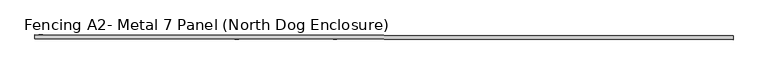
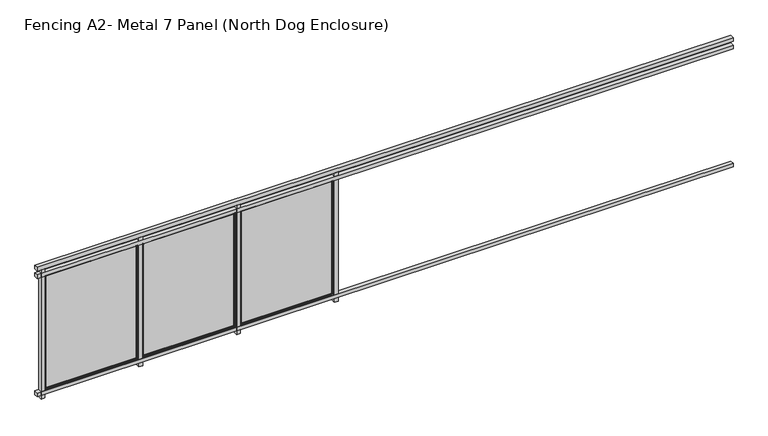
"""IFC4 building model written with IfcOpenShell, lengths in millimetres: railing geometry, Fencing A2- Metal 7 Panel (North Dog Enclosure)."""

from ifc_helpers import new_model, si_unit, frame, origin, place, context, project, spatial, polyline, ellipse_curve, outline, extrude, source, transform, mapped, element, save
from ifc_brep_helpers import plane_surface, cylinder_surface, advanced_brep


def fencing_a2_metal_7_panel_north_dog_enclosure_b5cfe8d8(model_context):
    return source(origin(), model_context, "Body", "SolidModel", [
        extrude(outline(polyline([(28440.7910864, 2306.40272), (28440.7307853, 2255.6027558), (19398.3371559, 2266.3363493), (19398.397457, 2317.1363135), (28440.7910864, 2306.40272)])), frame((0.0, 0.0, 1016.0), z_axis=(0.0, 0.0, 1.0), x_axis=(1.0, 0.0, 0.0)), (0.0, 0.0, 1.0), 50.8),
        extrude(outline(polyline([(28440.7910864, 2306.40272), (28440.7307853, 2255.6027558), (19398.3371559, 2266.3363493), (19398.397457, 2317.1363135), (28440.7910864, 2306.40272)])), frame((0.0, 0.0, 914.4), z_axis=(0.0, 0.0, 1.0), x_axis=(1.0, 0.0, 0.0)), (0.0, 0.0, 1.0), 50.8),
        extrude(outline(polyline([(28440.7910864, 2306.40272), (28440.7307853, 2255.6027558), (19398.3371559, 2266.3363493), (19398.397457, 2317.1363135), (28440.7910864, 2306.40272)])), frame((0.0, 0.0, -711.2), z_axis=(0.0, 0.0, 1.0), x_axis=(1.0, 0.0, 0.0)), (0.0, 0.0, 1.0), 50.8),
        extrude(outline(polyline([(19499.9973854, 2317.0157113), (19499.9370843, 2266.2157471), (19449.1371201, 2266.2760482), (19449.1974212, 2317.0760124), (19499.9973854, 2317.0157113)])), frame((0.0, 0.0, -762.0), z_axis=(0.0, 0.0, 1.0), x_axis=(1.0, 0.0, 0.0)), (0.0, 0.0, 1.0), 1778.0),
        advanced_brep(
        [(20712.8371089, 2307.6385285, 908.05), (20716.0158754, 2310.8097574, 911.225), (20716.0158754, 2310.8097574, -657.225), (20712.8371089, 2307.6385285, -654.05), (19503.1667299, 2312.2494459, -657.225), (19506.3379589, 2309.0706793, -654.05), (19499.9917322, 2312.2532147, -660.4), (19499.9917322, 2312.2532147, 914.4), (20719.1908732, 2310.8059886, 914.4), (20719.1908732, 2310.8059886, -660.4), (19503.1667299, 2312.2494459, 911.225), (19506.3379589, 2309.0706793, 908.05), (20712.8258024, 2298.1135352, -654.05), (19506.3266524, 2299.545686, -654.05), (20712.8258024, 2298.1135352, 908.05), (19506.3266524, 2299.545686, 908.05), (20703.3008091, 2298.1248416, -644.525), (20703.3008091, 2298.1248416, 898.525), (19515.8516457, 2299.5343795, 898.525), (19515.8516457, 2299.5343795, -644.525), (20700.1220425, 2294.9536127, 895.35), (20700.1220425, 2294.9536127, -641.35), (19519.0228746, 2296.355613, -641.35), (19519.0228746, 2296.355613, 895.35), (20700.1182737, 2291.7786149, -641.35), (19519.0191058, 2293.1806152, -641.35), (20700.1182737, 2291.7786149, 895.35), (19519.0191058, 2293.1806152, 895.35), (20719.1682603, 2291.756002, -660.4), (20719.1682603, 2291.756002, 914.4), (19499.9691192, 2293.2032281, 914.4), (19499.9691192, 2293.2032281, -660.4)],
        [
            (0, 1, ellipse_curve(frame((20716.0121066, 2307.6347596, 911.225), z_axis=(0.7071062830160321, -0.0008393564505195757, -0.7071067811865475), x_axis=(0.707106283016032, -0.0008393564505195756, 0.7071067811865476)), 4.4901281, 3.175)),
            (1, 2),
            (2, 3, ellipse_curve(frame((20716.0121066, 2307.6347596, -657.225), z_axis=(0.7071062830160321, -0.0008393564505195757, 0.7071067811865475), x_axis=(-0.707106283016032, 0.0008393564505195756, 0.7071067811865476)), 4.4901281, 3.175)),
            (3, 0),
            (2, 4),
            (4, 5, ellipse_curve(frame((19503.1629611, 2309.0744481, -657.225), z_axis=(0.7071062830160321, -0.0008393564505195757, -0.7071067811865475), x_axis=(0.7071062830160322, -0.0008393564505195758, 0.7071067811865474)), 4.4901281, 3.175)),
            (5, 3),
            (6, 7),
            (7, 8),
            (8, 9),
            (9, 6),
            (1, 10),
            (10, 4),
            (10, 11, ellipse_curve(frame((19503.1629611, 2309.0744481, 911.225), z_axis=(-0.7071062830160321, 0.0008393564505195757, -0.7071067811865475), x_axis=(0.707106283016032, -0.0008393564505195756, -0.7071067811865476)), 4.4901281, 3.175)),
            (11, 5),
            (12, 3),
            (5, 13),
            (13, 12),
            (14, 0),
            (12, 14),
            (11, 15),
            (15, 13),
            (15, 14),
            (16, 17),
            (17, 18),
            (18, 19),
            (19, 16),
            (20, 17, ellipse_curve(frame((20703.2970403, 2294.9498439, 898.525), z_axis=(0.7071062830160321, -0.0008393564505195757, -0.7071067811865475), x_axis=(0.707106283016032, -0.0008393564505195756, 0.7071067811865476)), 4.4901281, 3.175)),
            (16, 21, ellipse_curve(frame((20703.2970403, 2294.9498439, -644.525), z_axis=(0.7071062830160321, -0.0008393564505195757, 0.7071067811865475), x_axis=(-0.707106283016032, 0.0008393564505195756, 0.7071067811865476)), 4.4901281, 3.175)),
            (21, 20),
            (19, 22, ellipse_curve(frame((19515.8478769, 2296.3593818, -644.525), z_axis=(0.7071062830160321, -0.0008393564505195757, -0.7071067811865475), x_axis=(0.7071062830160322, -0.0008393564505195758, 0.7071067811865474)), 4.4901281, 3.175)),
            (22, 21),
            (18, 23, ellipse_curve(frame((19515.8478769, 2296.3593818, 898.525), z_axis=(-0.7071062830160321, 0.0008393564505195757, -0.7071067811865475), x_axis=(0.707106283016032, -0.0008393564505195756, -0.7071067811865476)), 4.4901281, 3.175)),
            (23, 22),
            (24, 21),
            (22, 25),
            (25, 24),
            (26, 20),
            (24, 26),
            (23, 27),
            (27, 25),
            (28, 29),
            (29, 30),
            (30, 31),
            (31, 28),
            (27, 26),
            (8, 29),
            (28, 9),
            (31, 6),
            (30, 7),
            (0, 11),
            (20, 23),
        ],
        [
            cylinder_surface(frame((20716.0121066, 2307.6347596, 914.4), z_axis=(0.0, 0.0, 1.0), x_axis=(0.9999992954805008, -0.0011870292759906809, 0.0)), 3.175),
            cylinder_surface(frame((20719.1871044, 2307.6309908, -657.225), z_axis=(0.9999992954805008, -0.0011870292759901258, 0.0), x_axis=(0.0, 0.0, -1.0)), 3.175),
            plane_surface(frame((20719.1908732, 2310.8059886, 914.4), z_axis=(0.0011870292759906809, 0.9999992954805008, 0.0), x_axis=(0.0, 0.0, -1.0))),
            cylinder_surface(frame((19503.1629611, 2309.0744481, -660.4), z_axis=(0.0, 0.0, -1.0), x_axis=(-0.9999992954805008, 0.0011870292759895706, 0.0)), 3.175),
            plane_surface(frame((20712.8371089, 2307.6385285, -654.05), z_axis=(0.0, 0.0, 1.0), x_axis=(-0.9999992954805008, 0.0011870292759901305, 0.0))),
            plane_surface(frame((20712.8371089, 2307.6385285, 908.05), z_axis=(-0.9999992954805008, 0.0011870292759906809, 0.0), x_axis=(0.0, 0.0, -1.0))),
            plane_surface(frame((19506.3379589, 2309.0706793, -654.05), z_axis=(0.9999992954805008, -0.0011870292759895706, 0.0), x_axis=(0.0, 0.0, 1.0))),
            plane_surface(frame((20712.8258024, 2298.1135352, 908.05), z_axis=(0.0011870292759906809, 0.9999992954805008, 0.0), x_axis=(0.0, 0.0, -1.0))),
            cylinder_surface(frame((20703.2970403, 2294.9498439, 914.4), z_axis=(0.0, 0.0, 1.0), x_axis=(0.9999992954805008, -0.0011870292759906809, 0.0)), 3.175),
            cylinder_surface(frame((20719.1720291, 2294.9309998, -644.525), z_axis=(0.9999992954805008, -0.0011870292759901258, 0.0), x_axis=(0.0, 0.0, -1.0)), 3.175),
            cylinder_surface(frame((19515.8478769, 2296.3593818, -660.4), z_axis=(0.0, 0.0, -1.0), x_axis=(-0.9999992954805008, 0.0011870292759895706, 0.0)), 3.175),
            plane_surface(frame((20700.1220425, 2294.9536127, -641.35), z_axis=(0.0, 0.0, 1.0), x_axis=(-0.9999992954805008, 0.001187029275990133, 0.0))),
            plane_surface(frame((20700.1220425, 2294.9536127, 895.35), z_axis=(-0.9999992954805008, 0.0011870292759906809, 0.0), x_axis=(0.0, 0.0, -1.0))),
            plane_surface(frame((19519.0228746, 2296.355613, -641.35), z_axis=(0.9999992954805008, -0.0011870292759895706, 0.0), x_axis=(0.0, 0.0, 1.0))),
            plane_surface(frame((20700.1182737, 2291.7786149, 895.35), z_axis=(-0.0011870292759906809, -0.9999992954805008, 0.0), x_axis=(0.0, 0.0, -1.0))),
            plane_surface(frame((20719.1682603, 2291.756002, 914.4), z_axis=(0.9999992954805008, -0.0011870292759906809, 0.0), x_axis=(0.0, 0.0, -1.0))),
            plane_surface(frame((20719.1682603, 2291.756002, -660.4), z_axis=(0.0, 0.0, -1.0), x_axis=(-0.9999992954805008, 0.0011870292759901258, 0.0))),
            plane_surface(frame((19499.9691192, 2293.2032281, -660.4), z_axis=(-0.9999992954805008, 0.0011870292759895706, 0.0), x_axis=(0.0, 0.0, 1.0))),
            cylinder_surface(frame((19499.9879633, 2309.0782169, 911.225), z_axis=(-0.9999992954805008, 0.0011870292759901258, 0.0), x_axis=(0.0, 0.0, 1.0)), 3.175),
            plane_surface(frame((19506.3379589, 2309.0706793, 908.05), z_axis=(0.0, 0.0, -1.0), x_axis=(0.9999992954805008, -0.0011870292759901268, 0.0))),
            cylinder_surface(frame((19499.9728881, 2296.3782259, 898.525), z_axis=(-0.9999992954805008, 0.0011870292759901258, 0.0), x_axis=(0.0, 0.0, 1.0)), 3.175),
            plane_surface(frame((19519.0228746, 2296.355613, 895.35), z_axis=(0.0, 0.0, -1.0), x_axis=(0.9999992954805008, -0.001187029275990133, 0.0))),
            plane_surface(frame((19499.9691192, 2293.2032281, 914.4), z_axis=(0.0, 0.0, 1.0), x_axis=(0.9999992954805008, -0.0011870292759901258, 0.0))),
        ],
        [
            (0, [[1, 2, 3, 4]]),
            (1, [[-3, 5, 6, 7]]),
            (2, [[8, 9, 10, 11], [-2, 12, 13, -5]]),
            (3, [[-6, -13, 14, 15]]),
            (4, [[16, -7, 17, 18]]),
            (5, [[19, -4, -16, 20]]),
            (6, [[-17, -15, 21, 22]]),
            (7, [[-22, 23, -20, -18], [24, 25, 26, 27]]),
            (8, [[28, -24, 29, 30]]),
            (9, [[-29, -27, 31, 32]]),
            (10, [[-31, -26, 33, 34]]),
            (11, [[35, -32, 36, 37]]),
            (12, [[38, -30, -35, 39]]),
            (13, [[-36, -34, 40, 41]]),
            (14, [[42, 43, 44, 45], [-41, 46, -39, -37]]),
            (15, [[47, -42, 48, -10]]),
            (16, [[-48, -45, 49, -11]]),
            (17, [[-49, -44, 50, -8]]),
            (18, [[-14, -12, -1, 51]]),
            (19, [[-21, -51, -19, -23]]),
            (20, [[-33, -25, -28, 52]]),
            (21, [[-40, -52, -38, -46]]),
            (22, [[-50, -43, -47, -9]]),
        ],
    ),
        advanced_brep(
        [(20719.1644915, 2288.5810042, 914.4), (20719.1418786, 2269.5310177, 914.4), (20719.1418786, 2269.5310177, -660.4), (20719.1644915, 2288.5810042, -660.4), (19499.9427375, 2270.9782438, -660.4), (19499.9653504, 2290.0282303, -660.4), (19499.9427375, 2270.9782438, 914.4), (19503.1177353, 2270.9744749, -657.225), (19503.1177353, 2270.9744749, 911.225), (20715.9668808, 2269.5347865, 911.225), (20715.9668808, 2269.5347865, -657.225), (19499.9653504, 2290.0282303, 914.4), (20700.1145049, 2288.6036172, -641.35), (20700.1145049, 2288.6036172, 895.35), (19519.015337, 2290.0056174, 895.35), (19519.015337, 2290.0056174, -641.35), (20700.1107361, 2285.4286194, 895.35), (20700.1107361, 2285.4286194, -641.35), (19519.0115682, 2286.8306197, -641.35), (19519.0115682, 2286.8306197, 895.35), (20703.281965, 2282.2498528, -644.525), (19515.8328016, 2283.6593907, -644.525), (20703.281965, 2282.2498528, 898.525), (19515.8328016, 2283.6593907, 898.525), (20712.8069583, 2282.2385464, -654.05), (20712.8069583, 2282.2385464, 908.05), (19506.3078083, 2283.6706972, 908.05), (19506.3078083, 2283.6706972, -654.05), (20712.7956519, 2272.7135531, 908.05), (20712.7956519, 2272.7135531, -654.05), (19506.2965019, 2274.1457039, -654.05), (19506.2965019, 2274.1457039, 908.05)],
        [
            (0, 1),
            (1, 2),
            (2, 3),
            (3, 0),
            (2, 4),
            (4, 5),
            (5, 3),
            (1, 6),
            (6, 4),
            (7, 8),
            (8, 9),
            (9, 10),
            (10, 7),
            (6, 11),
            (11, 5),
            (11, 0),
            (12, 13),
            (13, 14),
            (14, 15),
            (15, 12),
            (16, 13),
            (12, 17),
            (17, 16),
            (15, 18),
            (18, 17),
            (14, 19),
            (19, 18),
            (20, 17, ellipse_curve(frame((20703.2857338, 2285.4248506, -644.525), z_axis=(-0.7071062830160321, 0.0008393564505195757, -0.7071067811865475), x_axis=(0.7071062830160322, -0.0008393564505195758, -0.7071067811865474)), 4.4901281, 3.175)),
            (18, 21, ellipse_curve(frame((19515.8365704, 2286.8343885, -644.525), z_axis=(0.7071062830160321, -0.0008393564505195757, -0.7071067811865475), x_axis=(0.7071062830160322, -0.0008393564505195758, 0.7071067811865474)), 4.4901281, 3.175)),
            (21, 20),
            (22, 16, ellipse_curve(frame((20703.2857338, 2285.4248506, 898.525), z_axis=(0.7071062830160321, -0.0008393564505195757, -0.7071067811865475), x_axis=(0.707106283016032, -0.0008393564505195756, 0.7071067811865476)), 4.4901281, 3.175)),
            (20, 22),
            (19, 23, ellipse_curve(frame((19515.8365704, 2286.8343885, 898.525), z_axis=(-0.7071062830160321, 0.0008393564505195757, -0.7071067811865475), x_axis=(0.707106283016032, -0.0008393564505195756, -0.7071067811865476)), 4.4901281, 3.175)),
            (23, 21),
            (24, 25),
            (25, 26),
            (26, 27),
            (27, 24),
            (23, 22),
            (28, 25),
            (24, 29),
            (29, 28),
            (27, 30),
            (30, 29),
            (26, 31),
            (31, 30),
            (10, 29, ellipse_curve(frame((20715.9706496, 2272.7097842, -657.225), z_axis=(-0.7071062830160321, 0.0008393564505195757, -0.7071067811865475), x_axis=(0.7071062830160322, -0.0008393564505195758, -0.7071067811865474)), 4.4901281, 3.175)),
            (30, 7, ellipse_curve(frame((19503.1215041, 2274.1494727, -657.225), z_axis=(0.7071062830160321, -0.0008393564505195757, -0.7071067811865475), x_axis=(0.7071062830160322, -0.0008393564505195758, 0.7071067811865474)), 4.4901281, 3.175)),
            (9, 28, ellipse_curve(frame((20715.9706496, 2272.7097842, 911.225), z_axis=(0.7071062830160321, -0.0008393564505195757, -0.7071067811865475), x_axis=(0.707106283016032, -0.0008393564505195756, 0.7071067811865476)), 4.4901281, 3.175)),
            (31, 8, ellipse_curve(frame((19503.1215041, 2274.1494727, 911.225), z_axis=(-0.7071062830160321, 0.0008393564505195757, -0.7071067811865475), x_axis=(0.707106283016032, -0.0008393564505195756, -0.7071067811865476)), 4.4901281, 3.175)),
            (16, 19),
            (28, 31),
        ],
        [
            plane_surface(frame((20719.1418786, 2269.5310177, 914.4), z_axis=(0.9999992954805008, -0.0011870292759906809, 0.0), x_axis=(0.0, 0.0, -1.0))),
            plane_surface(frame((20719.1418786, 2269.5310177, -660.4), z_axis=(0.0, 0.0, -1.0), x_axis=(-0.9999992954805008, 0.0011870292759901258, 0.0))),
            plane_surface(frame((20715.9668808, 2269.5347865, 911.225), z_axis=(-0.0011870292759906809, -0.9999992954805008, 0.0), x_axis=(0.0, 0.0, -1.0))),
            plane_surface(frame((19499.9427375, 2270.9782438, -660.4), z_axis=(-0.9999992954805008, 0.0011870292759895706, 0.0), x_axis=(0.0, 0.0, 1.0))),
            plane_surface(frame((20719.1644915, 2288.5810042, 914.4), z_axis=(0.0011870292759906809, 0.9999992954805008, 0.0), x_axis=(0.0, 0.0, -1.0))),
            plane_surface(frame((20700.1145049, 2288.6036172, 895.35), z_axis=(-0.9999992954805008, 0.0011870292759906809, 0.0), x_axis=(0.0, 0.0, -1.0))),
            plane_surface(frame((20700.1145049, 2288.6036172, -641.35), z_axis=(0.0, 0.0, 1.0), x_axis=(-0.9999992954805008, 0.001187029275990133, 0.0))),
            plane_surface(frame((19519.015337, 2290.0056174, -641.35), z_axis=(0.9999992954805008, -0.0011870292759895706, 0.0), x_axis=(0.0, 0.0, 1.0))),
            cylinder_surface(frame((20719.1607227, 2285.4060065, -644.525), z_axis=(0.9999992954805008, -0.0011870292759901258, 0.0), x_axis=(0.0, 0.0, -1.0)), 3.175),
            cylinder_surface(frame((20703.2857338, 2285.4248506, 914.4), z_axis=(0.0, 0.0, 1.0), x_axis=(0.9999992954805008, -0.0011870292759906809, 0.0)), 3.175),
            cylinder_surface(frame((19515.8365704, 2286.8343885, -660.4), z_axis=(0.0, 0.0, -1.0), x_axis=(-0.9999992954805008, 0.0011870292759895706, 0.0)), 3.175),
            plane_surface(frame((20703.281965, 2282.2498528, 898.525), z_axis=(-0.0011870292759906809, -0.9999992954805008, 0.0), x_axis=(0.0, 0.0, -1.0))),
            plane_surface(frame((20712.8069583, 2282.2385464, 908.05), z_axis=(-0.9999992954805008, 0.0011870292759906809, 0.0), x_axis=(0.0, 0.0, -1.0))),
            plane_surface(frame((20712.8069583, 2282.2385464, -654.05), z_axis=(0.0, 0.0, 1.0), x_axis=(-0.9999992954805008, 0.0011870292759901268, 0.0))),
            plane_surface(frame((19506.3078083, 2283.6706972, -654.05), z_axis=(0.9999992954805008, -0.0011870292759895706, 0.0), x_axis=(0.0, 0.0, 1.0))),
            cylinder_surface(frame((20719.1456474, 2272.7060154, -657.225), z_axis=(0.9999992954805008, -0.0011870292759901258, 0.0), x_axis=(0.0, 0.0, -1.0)), 3.175),
            cylinder_surface(frame((20715.9706496, 2272.7097842, 914.4), z_axis=(0.0, 0.0, 1.0), x_axis=(0.9999992954805008, -0.0011870292759906809, 0.0)), 3.175),
            cylinder_surface(frame((19503.1215041, 2274.1494727, -660.4), z_axis=(0.0, 0.0, -1.0), x_axis=(-0.9999992954805008, 0.0011870292759895706, 0.0)), 3.175),
            plane_surface(frame((19499.9427375, 2270.9782438, 914.4), z_axis=(0.0, 0.0, 1.0), x_axis=(0.9999992954805008, -0.0011870292759901258, 0.0))),
            plane_surface(frame((19519.015337, 2290.0056174, 895.35), z_axis=(0.0, 0.0, -1.0), x_axis=(0.9999992954805008, -0.001187029275990133, 0.0))),
            cylinder_surface(frame((19499.9615816, 2286.8532326, 898.525), z_axis=(-0.9999992954805008, 0.0011870292759901258, 0.0), x_axis=(0.0, 0.0, 1.0)), 3.175),
            plane_surface(frame((19506.3078083, 2283.6706972, 908.05), z_axis=(0.0, 0.0, -1.0), x_axis=(0.9999992954805008, -0.0011870292759901268, 0.0))),
            cylinder_surface(frame((19499.9465063, 2274.1532415, 911.225), z_axis=(-0.9999992954805008, 0.0011870292759901258, 0.0), x_axis=(0.0, 0.0, 1.0)), 3.175),
        ],
        [
            (0, [[1, 2, 3, 4]]),
            (1, [[-3, 5, 6, 7]]),
            (2, [[-2, 8, 9, -5], [10, 11, 12, 13]]),
            (3, [[-6, -9, 14, 15]]),
            (4, [[-15, 16, -4, -7], [17, 18, 19, 20]]),
            (5, [[21, -17, 22, 23]]),
            (6, [[-22, -20, 24, 25]]),
            (7, [[-24, -19, 26, 27]]),
            (8, [[28, -25, 29, 30]]),
            (9, [[31, -23, -28, 32]]),
            (10, [[-29, -27, 33, 34]]),
            (11, [[35, 36, 37, 38], [-34, 39, -32, -30]]),
            (12, [[40, -35, 41, 42]]),
            (13, [[-41, -38, 43, 44]]),
            (14, [[-43, -37, 45, 46]]),
            (15, [[47, -44, 48, -13]]),
            (16, [[49, -42, -47, -12]]),
            (17, [[-48, -46, 50, -10]]),
            (18, [[-14, -8, -1, -16]]),
            (19, [[-26, -18, -21, 51]]),
            (20, [[-33, -51, -31, -39]]),
            (21, [[-45, -36, -40, 52]]),
            (22, [[-50, -52, -49, -11]]),
        ],
    ),
        extrude(outline(polyline([(20719.1644915, 2288.5810042), (19499.9653504, 2290.0282303), (19499.9691192, 2293.2032281), (20719.1682603, 2291.756002), (20719.1644915, 2288.5810042)])), frame((0.0, 0.0, -660.4), z_axis=(0.0, 0.0, 1.0), x_axis=(1.0, 0.0, 0.0)), (0.0, 0.0, 1.0), 1574.8),
        extrude(outline(polyline([(20769.9964906, 2315.5081841), (20769.9361896, 2264.7082199), (20719.1362253, 2264.768521), (20719.1965264, 2315.5684852), (20769.9964906, 2315.5081841)])), frame((0.0, 0.0, -762.0), z_axis=(0.0, 0.0, 1.0), x_axis=(1.0, 0.0, 0.0)), (0.0, 0.0, 1.0), 1778.0),
        advanced_brep(
        [(21982.8362141, 2306.1310013, 908.05), (21986.0149807, 2309.3022302, 911.225), (21986.0149807, 2309.3022302, -657.225), (21982.8362141, 2306.1310013, -654.05), (20773.1658352, 2310.7419187, -657.225), (20776.3370641, 2307.5631521, -654.05), (20769.9908374, 2310.7456875, -660.4), (20769.9908374, 2310.7456875, 914.4), (21989.1899785, 2309.2984614, 914.4), (21989.1899785, 2309.2984614, -660.4), (20773.1658352, 2310.7419187, 911.225), (20776.3370641, 2307.5631521, 908.05), (21982.8249077, 2296.606008, -654.05), (20776.3257577, 2298.0381588, -654.05), (21982.8249077, 2296.606008, 908.05), (20776.3257577, 2298.0381588, 908.05), (21973.2999144, 2296.6173144, -644.525), (21973.2999144, 2296.6173144, 898.525), (20785.850751, 2298.0268524, 898.525), (20785.850751, 2298.0268524, -644.525), (21970.1211478, 2293.4460855, 895.35), (21970.1211478, 2293.4460855, -641.35), (20789.0219799, 2294.8480858, -641.35), (20789.0219799, 2294.8480858, 895.35), (21970.117379, 2290.2710877, -641.35), (20789.0182111, 2291.673088, -641.35), (21970.117379, 2290.2710877, 895.35), (20789.0182111, 2291.673088, 895.35), (21989.1673656, 2290.2484748, -660.4), (21989.1673656, 2290.2484748, 914.4), (20769.9682245, 2291.6957009, 914.4), (20769.9682245, 2291.6957009, -660.4)],
        [
            (0, 1, ellipse_curve(frame((21986.0112119, 2306.1272325, 911.225), z_axis=(0.7071062830160321, -0.0008393564505195757, -0.7071067811865475), x_axis=(0.707106283016032, -0.0008393564505195756, 0.7071067811865476)), 4.4901281, 3.175)),
            (1, 2),
            (2, 3, ellipse_curve(frame((21986.0112119, 2306.1272325, -657.225), z_axis=(0.7071062830160321, -0.0008393564505195757, 0.7071067811865475), x_axis=(-0.707106283016032, 0.0008393564505195756, 0.7071067811865476)), 4.4901281, 3.175)),
            (3, 0),
            (2, 4),
            (4, 5, ellipse_curve(frame((20773.1620664, 2307.5669209, -657.225), z_axis=(0.7071062830160321, -0.0008393564505195757, -0.7071067811865475), x_axis=(0.7071062830160322, -0.0008393564505195758, 0.7071067811865474)), 4.4901281, 3.175)),
            (5, 3),
            (6, 7),
            (7, 8),
            (8, 9),
            (9, 6),
            (1, 10),
            (10, 4),
            (10, 11, ellipse_curve(frame((20773.1620664, 2307.5669209, 911.225), z_axis=(-0.7071062830160321, 0.0008393564505195757, -0.7071067811865475), x_axis=(0.707106283016032, -0.0008393564505195756, -0.7071067811865476)), 4.4901281, 3.175)),
            (11, 5),
            (12, 3),
            (5, 13),
            (13, 12),
            (14, 0),
            (12, 14),
            (11, 15),
            (15, 13),
            (15, 14),
            (16, 17),
            (17, 18),
            (18, 19),
            (19, 16),
            (20, 17, ellipse_curve(frame((21973.2961456, 2293.4423167, 898.525), z_axis=(0.7071062830160321, -0.0008393564505195757, -0.7071067811865475), x_axis=(0.707106283016032, -0.0008393564505195756, 0.7071067811865476)), 4.4901281, 3.175)),
            (16, 21, ellipse_curve(frame((21973.2961456, 2293.4423167, -644.525), z_axis=(0.7071062830160321, -0.0008393564505195757, 0.7071067811865475), x_axis=(-0.707106283016032, 0.0008393564505195756, 0.7071067811865476)), 4.4901281, 3.175)),
            (21, 20),
            (19, 22, ellipse_curve(frame((20785.8469821, 2294.8518546, -644.525), z_axis=(0.7071062830160321, -0.0008393564505195757, -0.7071067811865475), x_axis=(0.7071062830160322, -0.0008393564505195758, 0.7071067811865474)), 4.4901281, 3.175)),
            (22, 21),
            (18, 23, ellipse_curve(frame((20785.8469821, 2294.8518546, 898.525), z_axis=(-0.7071062830160321, 0.0008393564505195757, -0.7071067811865475), x_axis=(0.707106283016032, -0.0008393564505195756, -0.7071067811865476)), 4.4901281, 3.175)),
            (23, 22),
            (24, 21),
            (22, 25),
            (25, 24),
            (26, 20),
            (24, 26),
            (23, 27),
            (27, 25),
            (28, 29),
            (29, 30),
            (30, 31),
            (31, 28),
            (27, 26),
            (8, 29),
            (28, 9),
            (31, 6),
            (30, 7),
            (0, 11),
            (20, 23),
        ],
        [
            cylinder_surface(frame((21986.0112119, 2306.1272325, 914.4), z_axis=(0.0, 0.0, 1.0), x_axis=(0.9999992954805008, -0.0011870292759906809, 0.0)), 3.175),
            cylinder_surface(frame((21989.1862096, 2306.1234636, -657.225), z_axis=(0.9999992954805008, -0.0011870292759901258, 0.0), x_axis=(0.0, 0.0, -1.0)), 3.175),
            plane_surface(frame((21989.1899785, 2309.2984614, 914.4), z_axis=(0.0011870292759906809, 0.9999992954805008, 0.0), x_axis=(0.0, 0.0, -1.0))),
            cylinder_surface(frame((20773.1620664, 2307.5669209, -660.4), z_axis=(0.0, 0.0, -1.0), x_axis=(-0.9999992954805008, 0.0011870292759895706, 0.0)), 3.175),
            plane_surface(frame((21982.8362141, 2306.1310013, -654.05), z_axis=(0.0, 0.0, 1.0), x_axis=(-0.9999992954805008, 0.0011870292759901305, 0.0))),
            plane_surface(frame((21982.8362141, 2306.1310013, 908.05), z_axis=(-0.9999992954805008, 0.0011870292759906809, 0.0), x_axis=(0.0, 0.0, -1.0))),
            plane_surface(frame((20776.3370641, 2307.5631521, -654.05), z_axis=(0.9999992954805008, -0.0011870292759895706, 0.0), x_axis=(0.0, 0.0, 1.0))),
            plane_surface(frame((21982.8249077, 2296.606008, 908.05), z_axis=(0.0011870292759906809, 0.9999992954805008, 0.0), x_axis=(0.0, 0.0, -1.0))),
            cylinder_surface(frame((21973.2961456, 2293.4423167, 914.4), z_axis=(0.0, 0.0, 1.0), x_axis=(0.9999992954805008, -0.0011870292759906809, 0.0)), 3.175),
            cylinder_surface(frame((21989.1711344, 2293.4234726, -644.525), z_axis=(0.9999992954805008, -0.0011870292759901258, 0.0), x_axis=(0.0, 0.0, -1.0)), 3.175),
            cylinder_surface(frame((20785.8469821, 2294.8518546, -660.4), z_axis=(0.0, 0.0, -1.0), x_axis=(-0.9999992954805008, 0.0011870292759895706, 0.0)), 3.175),
            plane_surface(frame((21970.1211478, 2293.4460855, -641.35), z_axis=(0.0, 0.0, 1.0), x_axis=(-0.9999992954805008, 0.001187029275990133, 0.0))),
            plane_surface(frame((21970.1211478, 2293.4460855, 895.35), z_axis=(-0.9999992954805008, 0.0011870292759906809, 0.0), x_axis=(0.0, 0.0, -1.0))),
            plane_surface(frame((20789.0219799, 2294.8480858, -641.35), z_axis=(0.9999992954805008, -0.0011870292759895706, 0.0), x_axis=(0.0, 0.0, 1.0))),
            plane_surface(frame((21970.117379, 2290.2710877, 895.35), z_axis=(-0.0011870292759906809, -0.9999992954805008, 0.0), x_axis=(0.0, 0.0, -1.0))),
            plane_surface(frame((21989.1673656, 2290.2484748, 914.4), z_axis=(0.9999992954805008, -0.0011870292759906809, 0.0), x_axis=(0.0, 0.0, -1.0))),
            plane_surface(frame((21989.1673656, 2290.2484748, -660.4), z_axis=(0.0, 0.0, -1.0), x_axis=(-0.9999992954805008, 0.0011870292759901258, 0.0))),
            plane_surface(frame((20769.9682245, 2291.6957009, -660.4), z_axis=(-0.9999992954805008, 0.0011870292759895706, 0.0), x_axis=(0.0, 0.0, 1.0))),
            cylinder_surface(frame((20769.9870686, 2307.5706897, 911.225), z_axis=(-0.9999992954805008, 0.0011870292759901258, 0.0), x_axis=(0.0, 0.0, 1.0)), 3.175),
            plane_surface(frame((20776.3370641, 2307.5631521, 908.05), z_axis=(0.0, 0.0, -1.0), x_axis=(0.9999992954805008, -0.0011870292759901268, 0.0))),
            cylinder_surface(frame((20769.9719933, 2294.8706987, 898.525), z_axis=(-0.9999992954805008, 0.0011870292759901258, 0.0), x_axis=(0.0, 0.0, 1.0)), 3.175),
            plane_surface(frame((20789.0219799, 2294.8480858, 895.35), z_axis=(0.0, 0.0, -1.0), x_axis=(0.9999992954805008, -0.001187029275990133, 0.0))),
            plane_surface(frame((20769.9682245, 2291.6957009, 914.4), z_axis=(0.0, 0.0, 1.0), x_axis=(0.9999992954805008, -0.0011870292759901258, 0.0))),
        ],
        [
            (0, [[1, 2, 3, 4]]),
            (1, [[-3, 5, 6, 7]]),
            (2, [[8, 9, 10, 11], [-2, 12, 13, -5]]),
            (3, [[-6, -13, 14, 15]]),
            (4, [[16, -7, 17, 18]]),
            (5, [[19, -4, -16, 20]]),
            (6, [[-17, -15, 21, 22]]),
            (7, [[-22, 23, -20, -18], [24, 25, 26, 27]]),
            (8, [[28, -24, 29, 30]]),
            (9, [[-29, -27, 31, 32]]),
            (10, [[-31, -26, 33, 34]]),
            (11, [[35, -32, 36, 37]]),
            (12, [[38, -30, -35, 39]]),
            (13, [[-36, -34, 40, 41]]),
            (14, [[42, 43, 44, 45], [-41, 46, -39, -37]]),
            (15, [[47, -42, 48, -10]]),
            (16, [[-48, -45, 49, -11]]),
            (17, [[-49, -44, 50, -8]]),
            (18, [[-14, -12, -1, 51]]),
            (19, [[-21, -51, -19, -23]]),
            (20, [[-33, -25, -28, 52]]),
            (21, [[-40, -52, -38, -46]]),
            (22, [[-50, -43, -47, -9]]),
        ],
    ),
        advanced_brep(
        [(21989.1635967, 2287.0734771, 914.4), (21989.1409838, 2268.0234905, 914.4), (21989.1409838, 2268.0234905, -660.4), (21989.1635967, 2287.0734771, -660.4), (20769.9418428, 2269.4707166, -660.4), (20769.9644557, 2288.5207032, -660.4), (20769.9418428, 2269.4707166, 914.4), (20773.1168405, 2269.4669478, -657.225), (20773.1168405, 2269.4669478, 911.225), (21985.9659861, 2268.0272593, 911.225), (21985.9659861, 2268.0272593, -657.225), (20769.9644557, 2288.5207032, 914.4), (21970.1136102, 2287.09609, -641.35), (21970.1136102, 2287.09609, 895.35), (20789.0144423, 2288.4980902, 895.35), (20789.0144423, 2288.4980902, -641.35), (21970.1098413, 2283.9210922, 895.35), (21970.1098413, 2283.9210922, -641.35), (20789.0106735, 2285.3230925, -641.35), (20789.0106735, 2285.3230925, 895.35), (21973.2810703, 2280.7423256, -644.525), (20785.8319069, 2282.1518635, -644.525), (21973.2810703, 2280.7423256, 898.525), (20785.8319069, 2282.1518635, 898.525), (21982.8060636, 2280.7310192, -654.05), (21982.8060636, 2280.7310192, 908.05), (20776.3069136, 2282.16317, 908.05), (20776.3069136, 2282.16317, -654.05), (21982.7947571, 2271.2060259, 908.05), (21982.7947571, 2271.2060259, -654.05), (20776.2956071, 2272.6381767, -654.05), (20776.2956071, 2272.6381767, 908.05)],
        [
            (0, 1),
            (1, 2),
            (2, 3),
            (3, 0),
            (2, 4),
            (4, 5),
            (5, 3),
            (1, 6),
            (6, 4),
            (7, 8),
            (8, 9),
            (9, 10),
            (10, 7),
            (6, 11),
            (11, 5),
            (11, 0),
            (12, 13),
            (13, 14),
            (14, 15),
            (15, 12),
            (16, 13),
            (12, 17),
            (17, 16),
            (15, 18),
            (18, 17),
            (14, 19),
            (19, 18),
            (20, 17, ellipse_curve(frame((21973.2848391, 2283.9173234, -644.525), z_axis=(-0.7071062830160321, 0.0008393564505195757, -0.7071067811865475), x_axis=(0.7071062830160322, -0.0008393564505195758, -0.7071067811865474)), 4.4901281, 3.175)),
            (18, 21, ellipse_curve(frame((20785.8356757, 2285.3268613, -644.525), z_axis=(0.7071062830160321, -0.0008393564505195757, -0.7071067811865475), x_axis=(0.7071062830160322, -0.0008393564505195758, 0.7071067811865474)), 4.4901281, 3.175)),
            (21, 20),
            (22, 16, ellipse_curve(frame((21973.2848391, 2283.9173234, 898.525), z_axis=(0.7071062830160321, -0.0008393564505195757, -0.7071067811865475), x_axis=(0.707106283016032, -0.0008393564505195756, 0.7071067811865476)), 4.4901281, 3.175)),
            (20, 22),
            (19, 23, ellipse_curve(frame((20785.8356757, 2285.3268613, 898.525), z_axis=(-0.7071062830160321, 0.0008393564505195757, -0.7071067811865475), x_axis=(0.707106283016032, -0.0008393564505195756, -0.7071067811865476)), 4.4901281, 3.175)),
            (23, 21),
            (24, 25),
            (25, 26),
            (26, 27),
            (27, 24),
            (23, 22),
            (28, 25),
            (24, 29),
            (29, 28),
            (27, 30),
            (30, 29),
            (26, 31),
            (31, 30),
            (10, 29, ellipse_curve(frame((21985.9697549, 2271.2022571, -657.225), z_axis=(-0.7071062830160321, 0.0008393564505195757, -0.7071067811865475), x_axis=(0.7071062830160322, -0.0008393564505195758, -0.7071067811865474)), 4.4901281, 3.175)),
            (30, 7, ellipse_curve(frame((20773.1206094, 2272.6419455, -657.225), z_axis=(0.7071062830160321, -0.0008393564505195757, -0.7071067811865475), x_axis=(0.7071062830160322, -0.0008393564505195758, 0.7071067811865474)), 4.4901281, 3.175)),
            (9, 28, ellipse_curve(frame((21985.9697549, 2271.2022571, 911.225), z_axis=(0.7071062830160321, -0.0008393564505195757, -0.7071067811865475), x_axis=(0.707106283016032, -0.0008393564505195756, 0.7071067811865476)), 4.4901281, 3.175)),
            (31, 8, ellipse_curve(frame((20773.1206094, 2272.6419455, 911.225), z_axis=(-0.7071062830160321, 0.0008393564505195757, -0.7071067811865475), x_axis=(0.707106283016032, -0.0008393564505195756, -0.7071067811865476)), 4.4901281, 3.175)),
            (16, 19),
            (28, 31),
        ],
        [
            plane_surface(frame((21989.1409838, 2268.0234905, 914.4), z_axis=(0.9999992954805008, -0.0011870292759906809, 0.0), x_axis=(0.0, 0.0, -1.0))),
            plane_surface(frame((21989.1409838, 2268.0234905, -660.4), z_axis=(0.0, 0.0, -1.0), x_axis=(-0.9999992954805008, 0.0011870292759901258, 0.0))),
            plane_surface(frame((21985.9659861, 2268.0272593, 911.225), z_axis=(-0.0011870292759906809, -0.9999992954805008, 0.0), x_axis=(0.0, 0.0, -1.0))),
            plane_surface(frame((20769.9418428, 2269.4707166, -660.4), z_axis=(-0.9999992954805008, 0.0011870292759895706, 0.0), x_axis=(0.0, 0.0, 1.0))),
            plane_surface(frame((21989.1635967, 2287.0734771, 914.4), z_axis=(0.0011870292759906809, 0.9999992954805008, 0.0), x_axis=(0.0, 0.0, -1.0))),
            plane_surface(frame((21970.1136102, 2287.09609, 895.35), z_axis=(-0.9999992954805008, 0.0011870292759906809, 0.0), x_axis=(0.0, 0.0, -1.0))),
            plane_surface(frame((21970.1136102, 2287.09609, -641.35), z_axis=(0.0, 0.0, 1.0), x_axis=(-0.9999992954805008, 0.001187029275990133, 0.0))),
            plane_surface(frame((20789.0144423, 2288.4980902, -641.35), z_axis=(0.9999992954805008, -0.0011870292759895706, 0.0), x_axis=(0.0, 0.0, 1.0))),
            cylinder_surface(frame((21989.1598279, 2283.8984793, -644.525), z_axis=(0.9999992954805008, -0.0011870292759901258, 0.0), x_axis=(0.0, 0.0, -1.0)), 3.175),
            cylinder_surface(frame((21973.2848391, 2283.9173234, 914.4), z_axis=(0.0, 0.0, 1.0), x_axis=(0.9999992954805008, -0.0011870292759906809, 0.0)), 3.175),
            cylinder_surface(frame((20785.8356757, 2285.3268613, -660.4), z_axis=(0.0, 0.0, -1.0), x_axis=(-0.9999992954805008, 0.0011870292759895706, 0.0)), 3.175),
            plane_surface(frame((21973.2810703, 2280.7423256, 898.525), z_axis=(-0.0011870292759906809, -0.9999992954805008, 0.0), x_axis=(0.0, 0.0, -1.0))),
            plane_surface(frame((21982.8060636, 2280.7310192, 908.05), z_axis=(-0.9999992954805008, 0.0011870292759906809, 0.0), x_axis=(0.0, 0.0, -1.0))),
            plane_surface(frame((21982.8060636, 2280.7310192, -654.05), z_axis=(0.0, 0.0, 1.0), x_axis=(-0.9999992954805008, 0.0011870292759901268, 0.0))),
            plane_surface(frame((20776.3069136, 2282.16317, -654.05), z_axis=(0.9999992954805008, -0.0011870292759895706, 0.0), x_axis=(0.0, 0.0, 1.0))),
            cylinder_surface(frame((21989.1447527, 2271.1984882, -657.225), z_axis=(0.9999992954805008, -0.0011870292759901258, 0.0), x_axis=(0.0, 0.0, -1.0)), 3.175),
            cylinder_surface(frame((21985.9697549, 2271.2022571, 914.4), z_axis=(0.0, 0.0, 1.0), x_axis=(0.9999992954805008, -0.0011870292759906809, 0.0)), 3.175),
            cylinder_surface(frame((20773.1206094, 2272.6419455, -660.4), z_axis=(0.0, 0.0, -1.0), x_axis=(-0.9999992954805008, 0.0011870292759895706, 0.0)), 3.175),
            plane_surface(frame((20769.9418428, 2269.4707166, 914.4), z_axis=(0.0, 0.0, 1.0), x_axis=(0.9999992954805008, -0.0011870292759901258, 0.0))),
            plane_surface(frame((20789.0144423, 2288.4980902, 895.35), z_axis=(0.0, 0.0, -1.0), x_axis=(0.9999992954805008, -0.001187029275990133, 0.0))),
            cylinder_surface(frame((20769.9606869, 2285.3457054, 898.525), z_axis=(-0.9999992954805008, 0.0011870292759901258, 0.0), x_axis=(0.0, 0.0, 1.0)), 3.175),
            plane_surface(frame((20776.3069136, 2282.16317, 908.05), z_axis=(0.0, 0.0, -1.0), x_axis=(0.9999992954805008, -0.0011870292759901268, 0.0))),
            cylinder_surface(frame((20769.9456116, 2272.6457143, 911.225), z_axis=(-0.9999992954805008, 0.0011870292759901258, 0.0), x_axis=(0.0, 0.0, 1.0)), 3.175),
        ],
        [
            (0, [[1, 2, 3, 4]]),
            (1, [[-3, 5, 6, 7]]),
            (2, [[-2, 8, 9, -5], [10, 11, 12, 13]]),
            (3, [[-6, -9, 14, 15]]),
            (4, [[-15, 16, -4, -7], [17, 18, 19, 20]]),
            (5, [[21, -17, 22, 23]]),
            (6, [[-22, -20, 24, 25]]),
            (7, [[-24, -19, 26, 27]]),
            (8, [[28, -25, 29, 30]]),
            (9, [[31, -23, -28, 32]]),
            (10, [[-29, -27, 33, 34]]),
            (11, [[35, 36, 37, 38], [-34, 39, -32, -30]]),
            (12, [[40, -35, 41, 42]]),
            (13, [[-41, -38, 43, 44]]),
            (14, [[-43, -37, 45, 46]]),
            (15, [[47, -44, 48, -13]]),
            (16, [[49, -42, -47, -12]]),
            (17, [[-48, -46, 50, -10]]),
            (18, [[-14, -8, -1, -16]]),
            (19, [[-26, -18, -21, 51]]),
            (20, [[-33, -51, -31, -39]]),
            (21, [[-45, -36, -40, 52]]),
            (22, [[-50, -52, -49, -11]]),
        ],
    ),
        extrude(outline(polyline([(21989.1635967, 2287.0734771), (20769.9644557, 2288.5207032), (20769.9682245, 2291.6957009), (21989.1673656, 2290.2484748), (21989.1635967, 2287.0734771)])), frame((0.0, 0.0, -660.4), z_axis=(0.0, 0.0, 1.0), x_axis=(1.0, 0.0, 0.0)), (0.0, 0.0, 1.0), 1574.8),
        extrude(outline(polyline([(22039.9955959, 2314.000657), (22039.9352948, 2263.2006928), (21989.1353306, 2263.2609938), (21989.1956317, 2314.0609581), (22039.9955959, 2314.000657)])), frame((0.0, 0.0, -762.0), z_axis=(0.0, 0.0, 1.0), x_axis=(1.0, 0.0, 0.0)), (0.0, 0.0, 1.0), 1778.0),
        advanced_brep(
        [(23252.8353194, 2304.6234741, 908.05), (23256.014086, 2307.794703, 911.225), (23256.014086, 2307.794703, -657.225), (23252.8353194, 2304.6234741, -654.05), (22043.1649404, 2309.2343915, -657.225), (22046.3361694, 2306.0556249, -654.05), (22039.9899427, 2309.2381603, -660.4), (22039.9899427, 2309.2381603, 914.4), (23259.1890837, 2307.7909342, 914.4), (23259.1890837, 2307.7909342, -660.4), (22043.1649404, 2309.2343915, 911.225), (22046.3361694, 2306.0556249, 908.05), (23252.8240129, 2295.0984808, -654.05), (22046.3248629, 2296.5306316, -654.05), (23252.8240129, 2295.0984808, 908.05), (22046.3248629, 2296.5306316, 908.05), (23243.2990196, 2295.1097873, -644.525), (23243.2990196, 2295.1097873, 898.525), (22055.8498562, 2296.5193252, 898.525), (22055.8498562, 2296.5193252, -644.525), (23240.1202531, 2291.9385583, 895.35), (23240.1202531, 2291.9385583, -641.35), (22059.0210852, 2293.3405586, -641.35), (22059.0210852, 2293.3405586, 895.35), (23240.1164842, 2288.7635606, -641.35), (22059.0173163, 2290.1655608, -641.35), (23240.1164842, 2288.7635606, 895.35), (22059.0173163, 2290.1655608, 895.35), (23259.1664708, 2288.7409476, -660.4), (23259.1664708, 2288.7409476, 914.4), (22039.9673298, 2290.1881737, 914.4), (22039.9673298, 2290.1881737, -660.4)],
        [
            (0, 1, ellipse_curve(frame((23256.0103171, 2304.6197053, 911.225), z_axis=(0.7071062830160321, -0.0008393564505195757, -0.7071067811865475), x_axis=(0.707106283016032, -0.0008393564505195756, 0.7071067811865476)), 4.4901281, 3.175)),
            (1, 2),
            (2, 3, ellipse_curve(frame((23256.0103171, 2304.6197053, -657.225), z_axis=(0.7071062830160321, -0.0008393564505195757, 0.7071067811865475), x_axis=(-0.707106283016032, 0.0008393564505195756, 0.7071067811865476)), 4.4901281, 3.175)),
            (3, 0),
            (2, 4),
            (4, 5, ellipse_curve(frame((22043.1611716, 2306.0593937, -657.225), z_axis=(0.7071062830160321, -0.0008393564505195757, -0.7071067811865475), x_axis=(0.7071062830160322, -0.0008393564505195758, 0.7071067811865474)), 4.4901281, 3.175)),
            (5, 3),
            (6, 7),
            (7, 8),
            (8, 9),
            (9, 6),
            (1, 10),
            (10, 4),
            (10, 11, ellipse_curve(frame((22043.1611716, 2306.0593937, 911.225), z_axis=(-0.7071062830160321, 0.0008393564505195757, -0.7071067811865475), x_axis=(0.707106283016032, -0.0008393564505195756, -0.7071067811865476)), 4.4901281, 3.175)),
            (11, 5),
            (12, 3),
            (5, 13),
            (13, 12),
            (14, 0),
            (12, 14),
            (11, 15),
            (15, 13),
            (15, 14),
            (16, 17),
            (17, 18),
            (18, 19),
            (19, 16),
            (20, 17, ellipse_curve(frame((23243.2952508, 2291.9347895, 898.525), z_axis=(0.7071062830160321, -0.0008393564505195757, -0.7071067811865475), x_axis=(0.707106283016032, -0.0008393564505195756, 0.7071067811865476)), 4.4901281, 3.175)),
            (16, 21, ellipse_curve(frame((23243.2952508, 2291.9347895, -644.525), z_axis=(0.7071062830160321, -0.0008393564505195757, 0.7071067811865475), x_axis=(-0.707106283016032, 0.0008393564505195756, 0.7071067811865476)), 4.4901281, 3.175)),
            (21, 20),
            (19, 22, ellipse_curve(frame((22055.8460874, 2293.3443274, -644.525), z_axis=(0.7071062830160321, -0.0008393564505195757, -0.7071067811865475), x_axis=(0.7071062830160322, -0.0008393564505195758, 0.7071067811865474)), 4.4901281, 3.175)),
            (22, 21),
            (18, 23, ellipse_curve(frame((22055.8460874, 2293.3443274, 898.525), z_axis=(-0.7071062830160321, 0.0008393564505195757, -0.7071067811865475), x_axis=(0.707106283016032, -0.0008393564505195756, -0.7071067811865476)), 4.4901281, 3.175)),
            (23, 22),
            (24, 21),
            (22, 25),
            (25, 24),
            (26, 20),
            (24, 26),
            (23, 27),
            (27, 25),
            (28, 29),
            (29, 30),
            (30, 31),
            (31, 28),
            (27, 26),
            (8, 29),
            (28, 9),
            (31, 6),
            (30, 7),
            (0, 11),
            (20, 23),
        ],
        [
            cylinder_surface(frame((23256.0103171, 2304.6197053, 914.4), z_axis=(0.0, 0.0, 1.0), x_axis=(0.9999992954805008, -0.0011870292759906809, 0.0)), 3.175),
            cylinder_surface(frame((23259.1853149, 2304.6159365, -657.225), z_axis=(0.9999992954805008, -0.0011870292759901258, 0.0), x_axis=(0.0, 0.0, -1.0)), 3.175),
            plane_surface(frame((23259.1890837, 2307.7909342, 914.4), z_axis=(0.0011870292759906809, 0.9999992954805008, 0.0), x_axis=(0.0, 0.0, -1.0))),
            cylinder_surface(frame((22043.1611716, 2306.0593937, -660.4), z_axis=(0.0, 0.0, -1.0), x_axis=(-0.9999992954805008, 0.0011870292759895706, 0.0)), 3.175),
            plane_surface(frame((23252.8353194, 2304.6234741, -654.05), z_axis=(0.0, 0.0, 1.0), x_axis=(-0.9999992954805008, 0.0011870292759901305, 0.0))),
            plane_surface(frame((23252.8353194, 2304.6234741, 908.05), z_axis=(-0.9999992954805008, 0.0011870292759906809, 0.0), x_axis=(0.0, 0.0, -1.0))),
            plane_surface(frame((22046.3361694, 2306.0556249, -654.05), z_axis=(0.9999992954805008, -0.0011870292759895706, 0.0), x_axis=(0.0, 0.0, 1.0))),
            plane_surface(frame((23252.8240129, 2295.0984808, 908.05), z_axis=(0.0011870292759906809, 0.9999992954805008, 0.0), x_axis=(0.0, 0.0, -1.0))),
            cylinder_surface(frame((23243.2952508, 2291.9347895, 914.4), z_axis=(0.0, 0.0, 1.0), x_axis=(0.9999992954805008, -0.0011870292759906809, 0.0)), 3.175),
            cylinder_surface(frame((23259.1702396, 2291.9159454, -644.525), z_axis=(0.9999992954805008, -0.0011870292759901258, 0.0), x_axis=(0.0, 0.0, -1.0)), 3.175),
            cylinder_surface(frame((22055.8460874, 2293.3443274, -660.4), z_axis=(0.0, 0.0, -1.0), x_axis=(-0.9999992954805008, 0.0011870292759895706, 0.0)), 3.175),
            plane_surface(frame((23240.1202531, 2291.9385583, -641.35), z_axis=(0.0, 0.0, 1.0), x_axis=(-0.9999992954805008, 0.001187029275990133, 0.0))),
            plane_surface(frame((23240.1202531, 2291.9385583, 895.35), z_axis=(-0.9999992954805008, 0.0011870292759906809, 0.0), x_axis=(0.0, 0.0, -1.0))),
            plane_surface(frame((22059.0210852, 2293.3405586, -641.35), z_axis=(0.9999992954805008, -0.0011870292759895706, 0.0), x_axis=(0.0, 0.0, 1.0))),
            plane_surface(frame((23240.1164842, 2288.7635606, 895.35), z_axis=(-0.0011870292759906809, -0.9999992954805008, 0.0), x_axis=(0.0, 0.0, -1.0))),
            plane_surface(frame((23259.1664708, 2288.7409476, 914.4), z_axis=(0.9999992954805008, -0.0011870292759906809, 0.0), x_axis=(0.0, 0.0, -1.0))),
            plane_surface(frame((23259.1664708, 2288.7409476, -660.4), z_axis=(0.0, 0.0, -1.0), x_axis=(-0.9999992954805008, 0.0011870292759901258, 0.0))),
            plane_surface(frame((22039.9673298, 2290.1881737, -660.4), z_axis=(-0.9999992954805008, 0.0011870292759895706, 0.0), x_axis=(0.0, 0.0, 1.0))),
            cylinder_surface(frame((22039.9861739, 2306.0631626, 911.225), z_axis=(-0.9999992954805008, 0.0011870292759901258, 0.0), x_axis=(0.0, 0.0, 1.0)), 3.175),
            plane_surface(frame((22046.3361694, 2306.0556249, 908.05), z_axis=(0.0, 0.0, -1.0), x_axis=(0.9999992954805008, -0.0011870292759901268, 0.0))),
            cylinder_surface(frame((22039.9710986, 2293.3631715, 898.525), z_axis=(-0.9999992954805008, 0.0011870292759901258, 0.0), x_axis=(0.0, 0.0, 1.0)), 3.175),
            plane_surface(frame((22059.0210852, 2293.3405586, 895.35), z_axis=(0.0, 0.0, -1.0), x_axis=(0.9999992954805008, -0.001187029275990133, 0.0))),
            plane_surface(frame((22039.9673298, 2290.1881737, 914.4), z_axis=(0.0, 0.0, 1.0), x_axis=(0.9999992954805008, -0.0011870292759901258, 0.0))),
        ],
        [
            (0, [[1, 2, 3, 4]]),
            (1, [[-3, 5, 6, 7]]),
            (2, [[8, 9, 10, 11], [-2, 12, 13, -5]]),
            (3, [[-6, -13, 14, 15]]),
            (4, [[16, -7, 17, 18]]),
            (5, [[19, -4, -16, 20]]),
            (6, [[-17, -15, 21, 22]]),
            (7, [[-22, 23, -20, -18], [24, 25, 26, 27]]),
            (8, [[28, -24, 29, 30]]),
            (9, [[-29, -27, 31, 32]]),
            (10, [[-31, -26, 33, 34]]),
            (11, [[35, -32, 36, 37]]),
            (12, [[38, -30, -35, 39]]),
            (13, [[-36, -34, 40, 41]]),
            (14, [[42, 43, 44, 45], [-41, 46, -39, -37]]),
            (15, [[47, -42, 48, -10]]),
            (16, [[-48, -45, 49, -11]]),
            (17, [[-49, -44, 50, -8]]),
            (18, [[-14, -12, -1, 51]]),
            (19, [[-21, -51, -19, -23]]),
            (20, [[-33, -25, -28, 52]]),
            (21, [[-40, -52, -38, -46]]),
            (22, [[-50, -43, -47, -9]]),
        ],
    ),
        advanced_brep(
        [(23259.162702, 2285.5659499, 914.4), (23259.1400891, 2266.5159633, 914.4), (23259.1400891, 2266.5159633, -660.4), (23259.162702, 2285.5659499, -660.4), (22039.940948, 2267.9631894, -660.4), (22039.963561, 2287.013176, -660.4), (22039.940948, 2267.9631894, 914.4), (22043.1159458, 2267.9594206, -657.225), (22043.1159458, 2267.9594206, 911.225), (23255.9650913, 2266.5197321, 911.225), (23255.9650913, 2266.5197321, -657.225), (22039.963561, 2287.013176, 914.4), (23240.1127154, 2285.5885628, -641.35), (23240.1127154, 2285.5885628, 895.35), (22059.0135475, 2286.9905631, 895.35), (22059.0135475, 2286.9905631, -641.35), (23240.1089466, 2282.413565, 895.35), (23240.1089466, 2282.413565, -641.35), (22059.0097787, 2283.8155653, -641.35), (22059.0097787, 2283.8155653, 895.35), (23243.2801755, 2279.2347984, -644.525), (22055.8310121, 2280.6443364, -644.525), (23243.2801755, 2279.2347984, 898.525), (22055.8310121, 2280.6443364, 898.525), (23252.8051688, 2279.223492, -654.05), (23252.8051688, 2279.223492, 908.05), (22046.3060188, 2280.6556428, 908.05), (22046.3060188, 2280.6556428, -654.05), (23252.7938624, 2269.6984987, 908.05), (23252.7938624, 2269.6984987, -654.05), (22046.2947124, 2271.1306495, -654.05), (22046.2947124, 2271.1306495, 908.05)],
        [
            (0, 1),
            (1, 2),
            (2, 3),
            (3, 0),
            (2, 4),
            (4, 5),
            (5, 3),
            (1, 6),
            (6, 4),
            (7, 8),
            (8, 9),
            (9, 10),
            (10, 7),
            (6, 11),
            (11, 5),
            (11, 0),
            (12, 13),
            (13, 14),
            (14, 15),
            (15, 12),
            (16, 13),
            (12, 17),
            (17, 16),
            (15, 18),
            (18, 17),
            (14, 19),
            (19, 18),
            (20, 17, ellipse_curve(frame((23243.2839444, 2282.4097962, -644.525), z_axis=(-0.7071062830160321, 0.0008393564505195757, -0.7071067811865475), x_axis=(0.7071062830160322, -0.0008393564505195758, -0.7071067811865474)), 4.4901281, 3.175)),
            (18, 21, ellipse_curve(frame((22055.8347809, 2283.8193341, -644.525), z_axis=(0.7071062830160321, -0.0008393564505195757, -0.7071067811865475), x_axis=(0.7071062830160322, -0.0008393564505195758, 0.7071067811865474)), 4.4901281, 3.175)),
            (21, 20),
            (22, 16, ellipse_curve(frame((23243.2839444, 2282.4097962, 898.525), z_axis=(0.7071062830160321, -0.0008393564505195757, -0.7071067811865475), x_axis=(0.707106283016032, -0.0008393564505195756, 0.7071067811865476)), 4.4901281, 3.175)),
            (20, 22),
            (19, 23, ellipse_curve(frame((22055.8347809, 2283.8193341, 898.525), z_axis=(-0.7071062830160321, 0.0008393564505195757, -0.7071067811865475), x_axis=(0.707106283016032, -0.0008393564505195756, -0.7071067811865476)), 4.4901281, 3.175)),
            (23, 21),
            (24, 25),
            (25, 26),
            (26, 27),
            (27, 24),
            (23, 22),
            (28, 25),
            (24, 29),
            (29, 28),
            (27, 30),
            (30, 29),
            (26, 31),
            (31, 30),
            (10, 29, ellipse_curve(frame((23255.9688601, 2269.6947299, -657.225), z_axis=(-0.7071062830160321, 0.0008393564505195757, -0.7071067811865475), x_axis=(0.7071062830160322, -0.0008393564505195758, -0.7071067811865474)), 4.4901281, 3.175)),
            (30, 7, ellipse_curve(frame((22043.1197146, 2271.1344183, -657.225), z_axis=(0.7071062830160321, -0.0008393564505195757, -0.7071067811865475), x_axis=(0.7071062830160322, -0.0008393564505195758, 0.7071067811865474)), 4.4901281, 3.175)),
            (9, 28, ellipse_curve(frame((23255.9688601, 2269.6947299, 911.225), z_axis=(0.7071062830160321, -0.0008393564505195757, -0.7071067811865475), x_axis=(0.707106283016032, -0.0008393564505195756, 0.7071067811865476)), 4.4901281, 3.175)),
            (31, 8, ellipse_curve(frame((22043.1197146, 2271.1344183, 911.225), z_axis=(-0.7071062830160321, 0.0008393564505195757, -0.7071067811865475), x_axis=(0.707106283016032, -0.0008393564505195756, -0.7071067811865476)), 4.4901281, 3.175)),
            (16, 19),
            (28, 31),
        ],
        [
            plane_surface(frame((23259.1400891, 2266.5159633, 914.4), z_axis=(0.9999992954805008, -0.0011870292759906809, 0.0), x_axis=(0.0, 0.0, -1.0))),
            plane_surface(frame((23259.1400891, 2266.5159633, -660.4), z_axis=(0.0, 0.0, -1.0), x_axis=(-0.9999992954805008, 0.0011870292759901258, 0.0))),
            plane_surface(frame((23255.9650913, 2266.5197321, 911.225), z_axis=(-0.0011870292759906809, -0.9999992954805008, 0.0), x_axis=(0.0, 0.0, -1.0))),
            plane_surface(frame((22039.940948, 2267.9631894, -660.4), z_axis=(-0.9999992954805008, 0.0011870292759895706, 0.0), x_axis=(0.0, 0.0, 1.0))),
            plane_surface(frame((23259.162702, 2285.5659499, 914.4), z_axis=(0.0011870292759906809, 0.9999992954805008, 0.0), x_axis=(0.0, 0.0, -1.0))),
            plane_surface(frame((23240.1127154, 2285.5885628, 895.35), z_axis=(-0.9999992954805008, 0.0011870292759906809, 0.0), x_axis=(0.0, 0.0, -1.0))),
            plane_surface(frame((23240.1127154, 2285.5885628, -641.35), z_axis=(0.0, 0.0, 1.0), x_axis=(-0.9999992954805008, 0.001187029275990133, 0.0))),
            plane_surface(frame((22059.0135475, 2286.9905631, -641.35), z_axis=(0.9999992954805008, -0.0011870292759895706, 0.0), x_axis=(0.0, 0.0, 1.0))),
            cylinder_surface(frame((23259.1589332, 2282.3909521, -644.525), z_axis=(0.9999992954805008, -0.0011870292759901258, 0.0), x_axis=(0.0, 0.0, -1.0)), 3.175),
            cylinder_surface(frame((23243.2839444, 2282.4097962, 914.4), z_axis=(0.0, 0.0, 1.0), x_axis=(0.9999992954805008, -0.0011870292759906809, 0.0)), 3.175),
            cylinder_surface(frame((22055.8347809, 2283.8193341, -660.4), z_axis=(0.0, 0.0, -1.0), x_axis=(-0.9999992954805008, 0.0011870292759895706, 0.0)), 3.175),
            plane_surface(frame((23243.2801755, 2279.2347984, 898.525), z_axis=(-0.0011870292759906809, -0.9999992954805008, 0.0), x_axis=(0.0, 0.0, -1.0))),
            plane_surface(frame((23252.8051688, 2279.223492, 908.05), z_axis=(-0.9999992954805008, 0.0011870292759906809, 0.0), x_axis=(0.0, 0.0, -1.0))),
            plane_surface(frame((23252.8051688, 2279.223492, -654.05), z_axis=(0.0, 0.0, 1.0), x_axis=(-0.9999992954805008, 0.0011870292759901268, 0.0))),
            plane_surface(frame((22046.3060188, 2280.6556428, -654.05), z_axis=(0.9999992954805008, -0.0011870292759895706, 0.0), x_axis=(0.0, 0.0, 1.0))),
            cylinder_surface(frame((23259.1438579, 2269.6909611, -657.225), z_axis=(0.9999992954805008, -0.0011870292759901258, 0.0), x_axis=(0.0, 0.0, -1.0)), 3.175),
            cylinder_surface(frame((23255.9688601, 2269.6947299, 914.4), z_axis=(0.0, 0.0, 1.0), x_axis=(0.9999992954805008, -0.0011870292759906809, 0.0)), 3.175),
            cylinder_surface(frame((22043.1197146, 2271.1344183, -660.4), z_axis=(0.0, 0.0, -1.0), x_axis=(-0.9999992954805008, 0.0011870292759895706, 0.0)), 3.175),
            plane_surface(frame((22039.940948, 2267.9631894, 914.4), z_axis=(0.0, 0.0, 1.0), x_axis=(0.9999992954805008, -0.0011870292759901258, 0.0))),
            plane_surface(frame((22059.0135475, 2286.9905631, 895.35), z_axis=(0.0, 0.0, -1.0), x_axis=(0.9999992954805008, -0.001187029275990133, 0.0))),
            cylinder_surface(frame((22039.9597921, 2283.8381782, 898.525), z_axis=(-0.9999992954805008, 0.0011870292759901258, 0.0), x_axis=(0.0, 0.0, 1.0)), 3.175),
            plane_surface(frame((22046.3060188, 2280.6556428, 908.05), z_axis=(0.0, 0.0, -1.0), x_axis=(0.9999992954805008, -0.0011870292759901268, 0.0))),
            cylinder_surface(frame((22039.9447169, 2271.1381872, 911.225), z_axis=(-0.9999992954805008, 0.0011870292759901258, 0.0), x_axis=(0.0, 0.0, 1.0)), 3.175),
        ],
        [
            (0, [[1, 2, 3, 4]]),
            (1, [[-3, 5, 6, 7]]),
            (2, [[-2, 8, 9, -5], [10, 11, 12, 13]]),
            (3, [[-6, -9, 14, 15]]),
            (4, [[-15, 16, -4, -7], [17, 18, 19, 20]]),
            (5, [[21, -17, 22, 23]]),
            (6, [[-22, -20, 24, 25]]),
            (7, [[-24, -19, 26, 27]]),
            (8, [[28, -25, 29, 30]]),
            (9, [[31, -23, -28, 32]]),
            (10, [[-29, -27, 33, 34]]),
            (11, [[35, 36, 37, 38], [-34, 39, -32, -30]]),
            (12, [[40, -35, 41, 42]]),
            (13, [[-41, -38, 43, 44]]),
            (14, [[-43, -37, 45, 46]]),
            (15, [[47, -44, 48, -13]]),
            (16, [[49, -42, -47, -12]]),
            (17, [[-48, -46, 50, -10]]),
            (18, [[-14, -8, -1, -16]]),
            (19, [[-26, -18, -21, 51]]),
            (20, [[-33, -51, -31, -39]]),
            (21, [[-45, -36, -40, 52]]),
            (22, [[-50, -52, -49, -11]]),
        ],
    ),
        extrude(outline(polyline([(23259.162702, 2285.5659499), (22039.963561, 2287.013176), (22039.9673298, 2290.1881737), (23259.1664708, 2288.7409476), (23259.162702, 2285.5659499)])), frame((0.0, 0.0, -660.4), z_axis=(0.0, 0.0, 1.0), x_axis=(1.0, 0.0, 0.0)), (0.0, 0.0, 1.0), 1574.8),
        extrude(outline(polyline([(23309.9947012, 2312.4931298), (23309.9344001, 2261.6931656), (23259.1344359, 2261.7534667), (23259.194737, 2312.5534309), (23309.9947012, 2312.4931298)])), frame((0.0, 0.0, -762.0), z_axis=(0.0, 0.0, 1.0), x_axis=(1.0, 0.0, 0.0)), (0.0, 0.0, 1.0), 1778.0),
    ])


if __name__ == "__main__":
    model = new_model("IFC4")
    model_context = context("Model", 3, world=origin())
    ifc_project = project(units=[si_unit("LENGTHUNIT", "METRE", prefix="MILLI")], contexts=[model_context])
    site = spatial("IfcSite", under=ifc_project)
    building = spatial("IfcBuilding", under=site)
    placement = place(None, origin())
    fencing_a2_metal_7_panel_north_dog_enclosure_shape = fencing_a2_metal_7_panel_north_dog_enclosure_b5cfe8d8(model_context)
    element("IfcRailing", 1, ObjectType="Fencing A2- Metal 7 Panel (North Dog Enclosure)", at=placement, inside=building, context=model_context, shape_type="MappedRepresentation", body=[
        mapped(fencing_a2_metal_7_panel_north_dog_enclosure_shape, transform((0.0, 0.0, 0.0), x_axis=(1.0, 0.0, 0.0), y_axis=(0.0, 1.0, 0.0), z_axis=(0.0, 0.0, 1.0))),
    ])
    save(model, "model.ifc")
